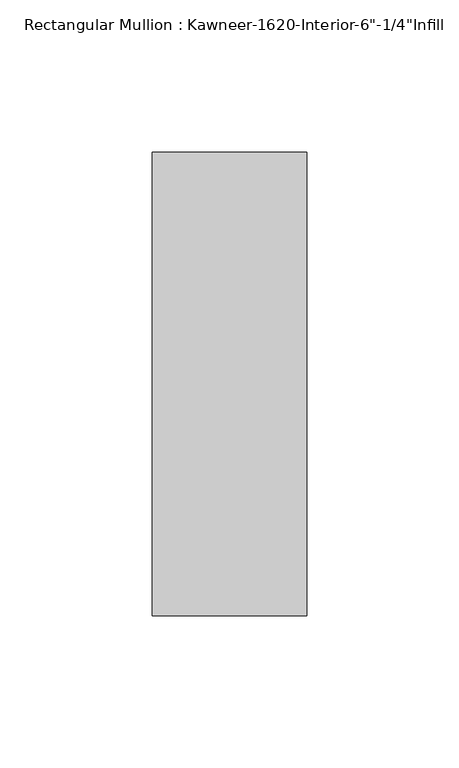
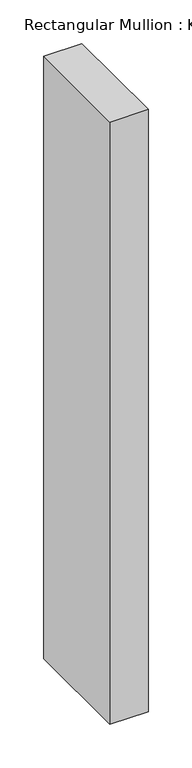
"""IFC4 building model written with IfcOpenShell, lengths in millimetres: member geometry."""

from ifc_helpers import new_model, si_unit, frame, origin, place, context, project, spatial, polyline, outline, extrude, source, transform, mapped, element, save


def member_078c97dc(model_context):
    return source(origin(), model_context, "Body", "SweptSolid", [
        extrude(outline(polyline([(25.4, -123.825), (-25.4, -123.825), (-25.4, 28.575), (25.4, 28.575), (25.4, -123.825)])), frame((0.0, 0.0, -844.55), z_axis=(0.0, 0.0, 1.0), x_axis=(1.0, 0.0, 0.0)), (0.0, 0.0, 1.0), 844.55),
    ])


if __name__ == "__main__":
    model = new_model("IFC4")
    model_context = context("Model", 3, world=origin())
    ifc_project = project(units=[si_unit("LENGTHUNIT", "METRE", prefix="MILLI")], contexts=[model_context])
    site = spatial("IfcSite", under=ifc_project)
    building = spatial("IfcBuilding", under=site)
    placement = place(None, origin())
    member_shape = member_078c97dc(model_context)
    element("IfcMember", 1, ObjectType="Rectangular Mullion : Kawneer-1620-Interior-6\"-1/4\"Infill", at=placement, inside=building, context=model_context, shape_type="MappedRepresentation", body=[
        mapped(member_shape, transform((0.0, 0.0, 0.0), x_axis=(1.0, 0.0, 0.0), y_axis=(0.0, 1.0, 0.0), z_axis=(0.0, 0.0, 1.0))),
    ])
    save(model, "model.ifc")
